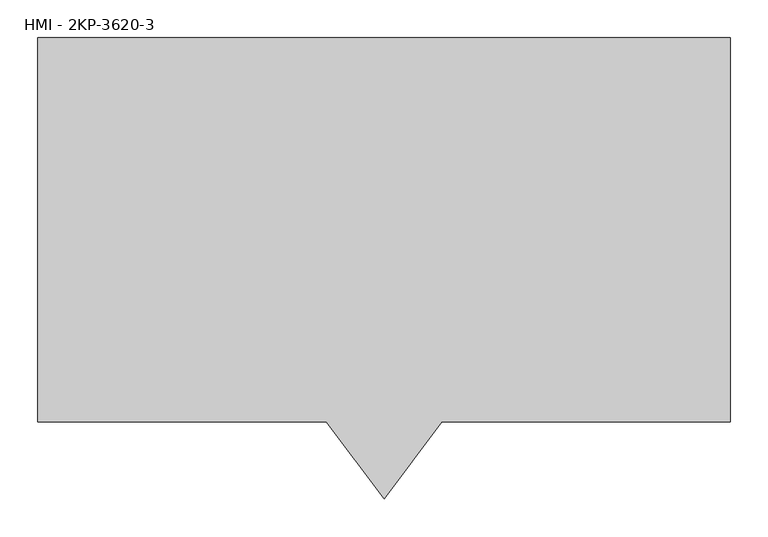
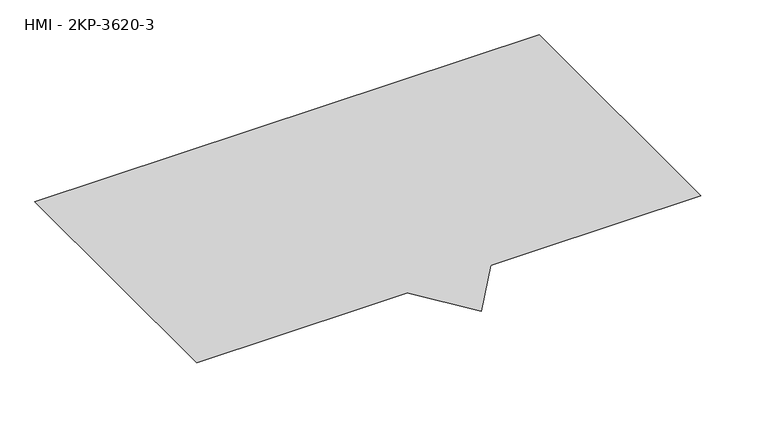
"""IFC4 building model written with IfcOpenShell, lengths in millimetres: furniture geometry, HMI - 2KP-3620-3."""

from ifc_helpers import new_model, si_unit, origin, place, context, project, spatial, triangles, source, transform, mapped, element, save


def hmi_2kp_3620_3_37ff663c(model_context):
    return source(origin(), model_context, "Body", "Tessellation", [
        triangles([(914.4, -507.9999879, 0.0), (0.0, -507.9999879, 0.0), (0.0, 0.0, 0.0), (914.4, 0.0, 0.0), (533.4, -507.9999879, 0.0), (457.2, -609.6, 0.0), (381.0, -507.9999879, 0.0)], [[1, 2, 3], [1, 3, 4], [5, 6, 7]], closed=False),
    ])


if __name__ == "__main__":
    model = new_model("IFC4")
    model_context = context("Model", 3, world=origin())
    ifc_project = project(units=[si_unit("LENGTHUNIT", "METRE", prefix="MILLI")], contexts=[model_context])
    site = spatial("IfcSite", under=ifc_project)
    building = spatial("IfcBuilding", under=site)
    placement = place(None, origin())
    hmi_2kp_3620_3_shape = hmi_2kp_3620_3_37ff663c(model_context)
    element("IfcFurniture", 1, ObjectType="HMI - 2KP-3620-3", at=placement, inside=building, context=model_context, shape_type="MappedRepresentation", body=[
        mapped(hmi_2kp_3620_3_shape, transform((0.0, 0.0, 0.0), x_axis=(1.0, 0.0, 0.0), y_axis=(0.0, 1.0, 0.0), z_axis=(0.0, 0.0, 1.0))),
    ])
    save(model, "model.ifc")
